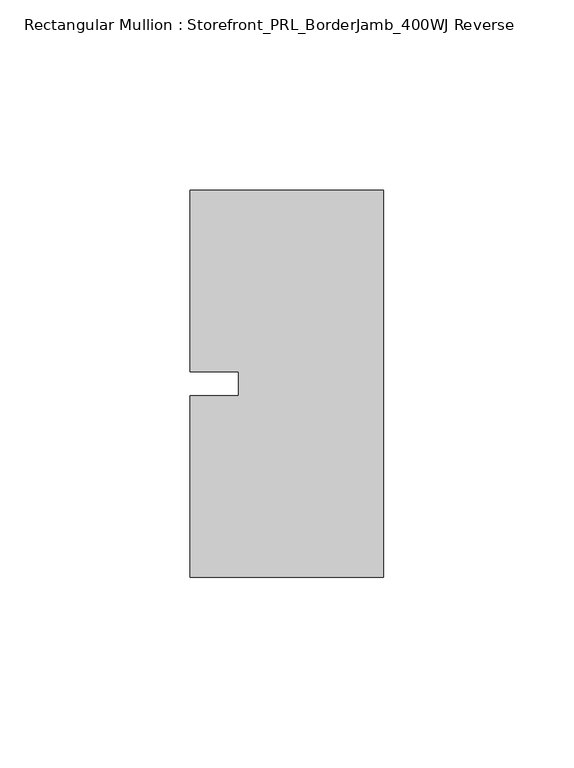
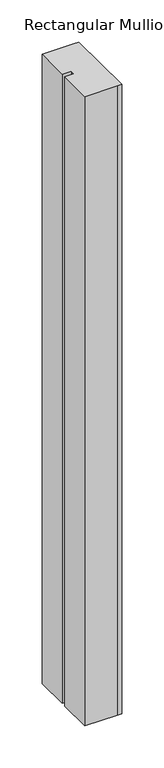
"""IFC4 building model written with IfcOpenShell, lengths in millimetres: member geometry, Rectangular Mullion : Storefront_PRL_BorderJamb_400WJ Reverse."""

import ifcopenshell
import ifcopenshell.guid

model = None  # the IFC model being written
_history = None  # IfcOwnerHistory: only IFC2X3 demands one
_inside = {}  # id of a spatial element -> (the spatial element, [elements in it])
_under = {}  # id of a project, library or spatial element -> (it, [spatial elements below it])
_declared = {}  # id of a project -> (the project, [libraries it declares])
_typed = {}  # id of a type object -> (the type object, [elements of that type])
_made_of = {}  # id of a material, layer set ... -> (it, [elements and type objects made of it])


def new_model(schema):
    """Start an empty IFC model of exactly this schema.

    Asked for "IFC4X3", IfcOpenShell would pick the latest addendum, in which some entities
    have other attributes; the version numbers below select the first issue.
    IFC2X3 requires an IfcOwnerHistory on every rooted entity: one is made here for all.
    """
    global model, _history
    if schema == "IFC4X3":
        model = ifcopenshell.file(schema_version=(4, 3, 0, 0))
    else:
        model = ifcopenshell.file(schema=schema)
    _inside.clear()
    _under.clear()
    _declared.clear()
    _typed.clear()
    _made_of.clear()
    _history = None
    if model.schema == "IFC2X3":
        org = make("IfcOrganization", Name="unknown")
        user = make(
            "IfcPersonAndOrganization",
            ThePerson=make("IfcPerson", FamilyName="unknown"),
            TheOrganization=org,
        )
        app = make(
            "IfcApplication",
            ApplicationDeveloper=org,
            Version="unknown",
            ApplicationFullName="unknown",
            ApplicationIdentifier="unknown",
        )
        _history = make(
            "IfcOwnerHistory",
            OwningUser=user,
            OwningApplication=app,
            ChangeAction="ADDED",
            CreationDate=0,
        )
    return model


def make(cls, **values):
    """One entity of the class cls with the attributes given. An attribute that is None is left unset."""
    return model.create_entity(
        cls, **{name: value for name, value in values.items() if value is not None}
    )


def rooted(cls, **values):
    """An entity with a GlobalId (a new one), such as an element, a storey or a relation."""
    return make(cls, GlobalId=ifcopenshell.guid.new(), OwnerHistory=_history, **values)


def si_unit(unit_type, name, prefix=None):
    """IfcSIUnit, for example si_unit("LENGTHUNIT", "METRE", prefix="MILLI")."""
    return make("IfcSIUnit", UnitType=unit_type, Prefix=prefix, Name=name)


def assignment(units):
    """IfcUnitAssignment: the units of a project."""
    return None if units is None else make("IfcUnitAssignment", Units=units)


def point(xyz):
    """IfcCartesianPoint."""
    return None if xyz is None else make("IfcCartesianPoint", Coordinates=xyz)


def direction(xyz):
    """IfcDirection."""
    return None if xyz is None else make("IfcDirection", DirectionRatios=xyz)


def frame(location, z_axis=None, x_axis=None):
    """IfcAxis2Placement3D, a coordinate frame: its origin and axes. An axis left out is left unset."""
    return make(
        "IfcAxis2Placement3D",
        Location=point(location),
        Axis=direction(z_axis),
        RefDirection=direction(x_axis),
    )


def origin():
    """The frame at (0, 0, 0) with its axes left unset."""
    return frame((0.0, 0.0, 0.0))


def place(relative_to, where):
    """IfcLocalPlacement: puts the frame where relative to a parent placement (None: the world)."""
    return make(
        "IfcLocalPlacement", PlacementRelTo=relative_to, RelativePlacement=where
    )


def context(
    kind, dimensions, precision=None, world=None, true_north=None, identifier=None
):
    """IfcGeometricRepresentationContext, for example the 3D "Model" context."""
    return make(
        "IfcGeometricRepresentationContext",
        ContextIdentifier=identifier,
        ContextType=kind,
        CoordinateSpaceDimension=dimensions,
        Precision=precision,
        WorldCoordinateSystem=world,
        TrueNorth=true_north,
    )


def project(units=None, contexts=None):
    """IfcProject with its units and contexts."""
    return rooted(
        "IfcProject",
        Name="project",
        RepresentationContexts=contexts,
        UnitsInContext=assignment(units),
    )


def spatial(cls, under=None, at=None, **own):
    """A site, building, storey or space (cls), placed at a placement, below another one or the project."""
    s = rooted(cls, ObjectPlacement=at, **own)
    if under is not None:
        _under.setdefault(under.id(), (under, []))[1].append(s)
    return s


def polyline(points):
    """IfcPolyline through the points."""
    return make("IfcPolyline", Points=[point(p) for p in points])


def outline(outer, holes=None, kind="AREA"):
    """IfcArbitraryClosedProfileDef: a profile drawn as a closed curve; with holes, ...WithVoids."""
    if holes is None:
        return make("IfcArbitraryClosedProfileDef", ProfileType=kind, OuterCurve=outer)
    return make(
        "IfcArbitraryProfileDefWithVoids",
        ProfileType=kind,
        OuterCurve=outer,
        InnerCurves=holes,
    )


def extrude(swept, where, along, depth):
    """IfcExtrudedAreaSolid: the profile swept, set in the frame where, extruded along a direction by depth."""
    return make(
        "IfcExtrudedAreaSolid",
        SweptArea=swept,
        Position=where,
        ExtrudedDirection=direction(along),
        Depth=depth,
    )


def shape(context_of_items, identifier, shape_type, items):
    """IfcShapeRepresentation: the items that make up one representation, for example the "Body"."""
    return make(
        "IfcShapeRepresentation",
        ContextOfItems=context_of_items,
        RepresentationIdentifier=identifier,
        RepresentationType=shape_type,
        Items=items,
    )


def source(mapping_origin, context_of_items, identifier, shape_type, items):
    """IfcRepresentationMap: a shape defined once, which mapped items show again and again."""
    return make(
        "IfcRepresentationMap",
        MappingOrigin=mapping_origin,
        MappedRepresentation=shape(context_of_items, identifier, shape_type, items),
    )


def transform(
    local_origin,
    x_axis=None,
    y_axis=None,
    z_axis=None,
    scale=None,
    scale2=None,
    scale3=None,
    uniform=True,
):
    """IfcCartesianTransformationOperator3D, or its non-uniform kind. x_axis, y_axis, z_axis: its Axis1, 2, 3."""
    if uniform:
        return make(
            "IfcCartesianTransformationOperator3D",
            Axis1=direction(x_axis),
            Axis2=direction(y_axis),
            LocalOrigin=point(local_origin),
            Scale=scale,
            Axis3=direction(z_axis),
        )
    return make(
        "IfcCartesianTransformationOperator3DnonUniform",
        Axis1=direction(x_axis),
        Axis2=direction(y_axis),
        LocalOrigin=point(local_origin),
        Scale=scale,
        Axis3=direction(z_axis),
        Scale2=scale2,
        Scale3=scale3,
    )


def mapped(mapping_source, mapping_target):
    """IfcMappedItem: shows the shape of a source again, moved by a transform."""
    return make(
        "IfcMappedItem", MappingSource=mapping_source, MappingTarget=mapping_target
    )


def made_of(thing, what):
    """Note that an element or type object is made of a material, layer set ...; save() writes the relation."""
    if what is not None:
        _made_of.setdefault(what.id(), (what, []))[1].append(thing)
    return thing


def element(
    cls,
    number,
    at=None,
    inside=None,
    cuts=None,
    type_object=None,
    material=None,
    context=None,
    identifier="Body",
    shape_type=None,
    held_by="IfcProductDefinitionShape",
    body=None,
    shapes=None,
    **own,
):
    """One element of the class cls, such as IfcWall. Its Tag is "e" and its number.

    at: its placement. inside: the storey or other place that contains it. cuts: it is an
    opening in that element (IfcRelVoidsElement). A single representation is given by context,
    identifier, shape_type and body (its items); several are given by shapes. held_by: the class
    of the entity that holds the representations. save() writes the other relations.
    """
    e = rooted(cls, Tag="e%d" % number, ObjectPlacement=at, **own)
    if body is not None:
        shapes = [shape(context, identifier, shape_type, body)]
    if shapes is not None:
        e.Representation = make(held_by, Representations=shapes)
    if inside is not None:
        _inside.setdefault(inside.id(), (inside, []))[1].append(e)
    if cuts is not None:
        rooted(
            "IfcRelVoidsElement", RelatingBuildingElement=cuts, RelatedOpeningElement=e
        )
    if type_object is not None:
        _typed.setdefault(type_object.id(), (type_object, []))[1].append(e)
    return made_of(e, material)


def aggregate(whole, parts):
    """IfcRelAggregates: a whole, such as a stair, and the parts it consists of."""
    return rooted("IfcRelAggregates", RelatingObject=whole, RelatedObjects=parts)


def save(model, path):
    """Write the relations noted so far, then the file.

    IfcRelAggregates (storeys below a building ...), IfcRelContainedInSpatialStructure (elements
    in a storey), IfcRelDefinesByType, IfcRelAssociatesMaterial and IfcRelDeclares: one each for
    every whole, place, type object, material and project.
    """
    for whole, parts in _under.values():
        aggregate(whole, parts)
    for where, things in _inside.values():
        rooted(
            "IfcRelContainedInSpatialStructure",
            RelatedElements=things,
            RelatingStructure=where,
        )
    for kind, things in _typed.values():
        rooted("IfcRelDefinesByType", RelatedObjects=things, RelatingType=kind)
    for what, things in _made_of.values():
        rooted("IfcRelAssociatesMaterial", RelatedObjects=things, RelatingMaterial=what)
    for by, libraries in _declared.values():
        rooted("IfcRelDeclares", RelatingContext=by, RelatedDefinitions=libraries)
    model.write(path)


def rectangular_mullion_storefront_prl_borderjamb_400wj_reverse_b6d22045(model_context):
    return source(origin(), model_context, "Body", "SweptSolid", [
        extrude(outline(polyline([(-38.1, -3.175), (-38.1, 3.175), (-50.8, 3.175), (-50.8, 50.8), (-7.3958824, 50.8), (0.0, 50.8), (0.0, -50.8), (-6.35, -50.8), (-50.8, -50.8), (-50.8, -3.175), (-38.1, -3.175)])), frame((0.0, 0.0, -914.4), z_axis=(0.0, 0.0, 1.0), x_axis=(1.0, 0.0, 0.0)), (0.0, 0.0, 1.0), 914.4),
    ])


if __name__ == "__main__":
    model = new_model("IFC4")
    model_context = context("Model", 3, world=origin())
    ifc_project = project(units=[si_unit("LENGTHUNIT", "METRE", prefix="MILLI")], contexts=[model_context])
    site = spatial("IfcSite", under=ifc_project)
    building = spatial("IfcBuilding", under=site)
    placement = place(None, origin())
    rectangular_mullion_storefront_prl_borderjamb_400wj_reverse_shape = rectangular_mullion_storefront_prl_borderjamb_400wj_reverse_b6d22045(model_context)
    element("IfcMember", 1, ObjectType="Rectangular Mullion : Storefront_PRL_BorderJamb_400WJ Reverse", at=placement, inside=building, context=model_context, shape_type="MappedRepresentation", body=[
        mapped(rectangular_mullion_storefront_prl_borderjamb_400wj_reverse_shape, transform((0.0, 0.0, 0.0), x_axis=(1.0, 0.0, 0.0), y_axis=(0.0, 1.0, 0.0), z_axis=(0.0, 0.0, 1.0))),
    ])
    save(model, "model.ifc")
